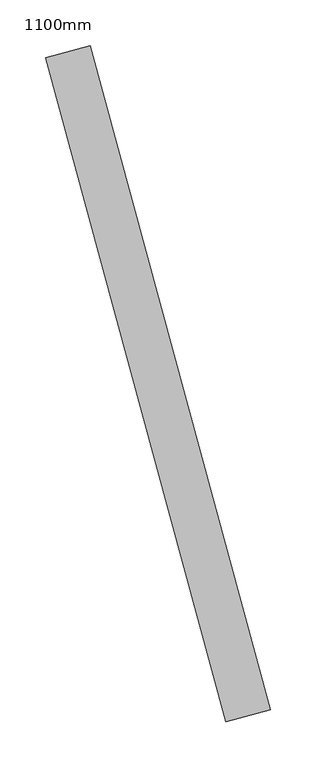
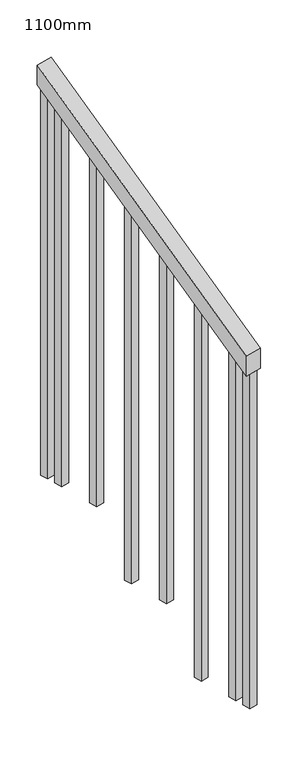
"""IFC4 building model written with IfcOpenShell, lengths in millimetres: railing geometry, 1100mm."""

from ifc_helpers import new_model, si_unit, frame, origin, place, context, project, spatial, polyline, outline, extrude, source, transform, mapped, element, save


def railing_1100mm_f6ddb8e9(model_context):
    return source(origin(), model_context, "Body", "SweptSolid", [
        extrude(outline(polyline([(-35.5555555, -50.0), (0.0, 0.0), (920.2958462, 0.0), (884.7402906, -50.0), (-35.5555555, -50.0)])), frame((263922.8200114, -56800.6389457, 1277.7777778), z_axis=(0.9649894123601852, 0.2622888370341833, 0.0), x_axis=(-0.21375368431595734, 0.7864232597554186, 0.5795237863599868)), (0.0, 0.0, 1.0), 50.0),
        extrude(outline(polyline([(108.8888889, 0.0), (91.1111112, 25.0), (1271.980277, 25.0), (1271.980277, 0.0), (108.8888889, 0.0)])), frame((263757.837414, -56145.9924819, 1805.3136103), z_axis=(0.9649894123601821, 0.2622888370341949, 0.0), x_axis=(0.0, 0.0, -1.0)), (0.0, 0.0, 1.0), 25.0),
        extrude(outline(polyline([(108.8888889, 0.0), (91.1111111, 25.0), (1183.0913881, 25.0), (1183.0913881, 0.0), (108.8888889, 0.0)])), frame((263790.6235186, -56266.6161584, 1716.4247214), z_axis=(0.9649894123601821, 0.2622888370341949, 0.0), x_axis=(0.0, 0.0, -1.0)), (0.0, 0.0, 1.0), 25.0),
        extrude(outline(polyline([(108.8888889, 0.0), (91.1111111, 25.0), (1271.9802769, 25.0), (1271.9802769, 0.0), (108.8888889, 0.0)])), frame((263823.4096233, -56387.239835, 1627.5358325), z_axis=(0.9649894123601821, 0.2622888370341949, 0.0), x_axis=(0.0, 0.0, -1.0)), (0.0, 0.0, 1.0), 25.0),
        extrude(outline(polyline([(108.8888889, 0.0), (91.1111111, 25.0), (1183.091388, 25.0), (1183.091388, 0.0), (108.8888889, 0.0)])), frame((263856.1957279, -56507.8635115, 1538.6469436), z_axis=(0.9649894123601821, 0.2622888370341949, 0.0), x_axis=(0.0, 0.0, -1.0)), (0.0, 0.0, 1.0), 25.0),
        extrude(outline(polyline([(108.8888889, 0.0), (91.1111111, 25.0), (1271.9802769, 25.0), (1271.9802769, 0.0), (108.8888889, 0.0)])), frame((263888.9818325, -56628.4871881, 1449.7580547), z_axis=(0.9649894123601821, 0.2622888370341949, 0.0), x_axis=(0.0, 0.0, -1.0)), (0.0, 0.0, 1.0), 25.0),
        extrude(outline(polyline([(108.8888889, 0.0), (91.1111111, 25.0), (1183.091388, 25.0), (1183.091388, 0.0), (108.8888889, 0.0)])), frame((263921.7679372, -56749.1108646, 1360.8691658), z_axis=(0.9649894123601821, 0.2622888370341949, 0.0), x_axis=(0.0, 0.0, -1.0)), (0.0, 0.0, 1.0), 25.0),
        extrude(outline(polyline([(108.8888889, 0.0), (91.1111111, 25.0), (1307.5358325, 25.0), (1307.5358325, 0.0), (108.8888889, 0.0)])), frame((263744.7229722, -56097.7430113, 1840.8691658), z_axis=(0.9649894123601821, 0.2622888370341949, 0.0), x_axis=(0.0, 0.0, -1.0)), (0.0, 0.0, 1.0), 25.0),
        extrude(outline(polyline([(108.8888889, 0.0), (91.1111112, 25.0), (1147.5358325, 25.0), (1147.5358325, 0.0), (108.8888889, 0.0)])), frame((263934.882379, -56797.3603352, 1325.3136103), z_axis=(0.9649894123601821, 0.2622888370341949, 0.0), x_axis=(0.0, 0.0, -1.0)), (0.0, 0.0, 1.0), 25.0),
    ])


if __name__ == "__main__":
    model = new_model("IFC4")
    model_context = context("Model", 3, world=origin())
    ifc_project = project(units=[si_unit("LENGTHUNIT", "METRE", prefix="MILLI")], contexts=[model_context])
    site = spatial("IfcSite", under=ifc_project)
    building = spatial("IfcBuilding", under=site)
    placement = place(None, origin())
    railing_1100mm_shape = railing_1100mm_f6ddb8e9(model_context)
    element("IfcRailing", 1, ObjectType="1100mm", at=placement, inside=building, context=model_context, shape_type="MappedRepresentation", body=[
        mapped(railing_1100mm_shape, transform((0.0, 0.0, 0.0), x_axis=(1.0, 0.0, 0.0), y_axis=(0.0, 1.0, 0.0), z_axis=(0.0, 0.0, 1.0))),
    ])
    save(model, "model.ifc")
